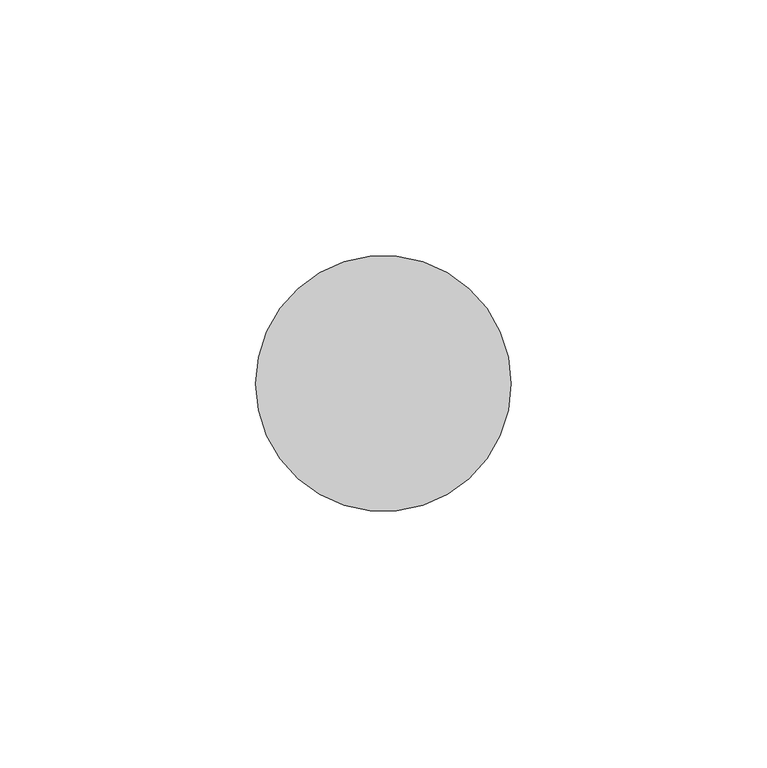
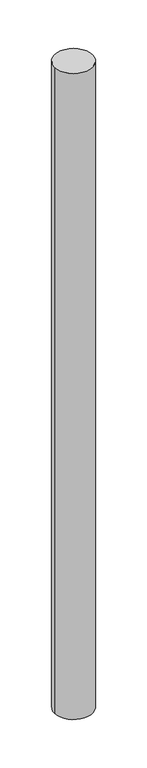
"""IFC4 building model written with IfcOpenShell, lengths in millimetres: member geometry."""

from ifc_helpers import new_model, si_unit, point, frame, origin, origin_2d, place, context, project, spatial, circle_curve, trimmed, segment, composite_curve, outline, extrude, source, transform, mapped, element, save


def member_8ba79aec(model_context):
    return source(origin(), model_context, "Body", "SweptSolid", [
        extrude(outline(composite_curve([segment(trimmed(circle_curve(origin_2d(), 25.0), [point((25.0, 0.0))], [point((-25.0, 0.0))], False, "CARTESIAN"), True, "CONTINUOUS"), segment(trimmed(circle_curve(origin_2d(), 25.0), [point((-25.0, 0.0))], [point((25.0, 0.0))], False, "CARTESIAN"), True, "CONTINUOUS")], self_intersect=False)), frame((0.0, 0.0, -900.0), z_axis=(0.0, 0.0, 1.0), x_axis=(1.0, 0.0, 0.0)), (0.0, 0.0, 1.0), 900.0),
    ])


if __name__ == "__main__":
    model = new_model("IFC4")
    model_context = context("Model", 3, world=origin())
    ifc_project = project(units=[si_unit("LENGTHUNIT", "METRE", prefix="MILLI")], contexts=[model_context])
    site = spatial("IfcSite", under=ifc_project)
    building = spatial("IfcBuilding", under=site)
    placement = place(None, origin())
    member_shape = member_8ba79aec(model_context)
    element("IfcMember", 1, at=placement, inside=building, context=model_context, shape_type="MappedRepresentation", body=[
        mapped(member_shape, transform((0.0, 0.0, 0.0), x_axis=(1.0, 0.0, 0.0), y_axis=(0.0, 1.0, 0.0), z_axis=(0.0, 0.0, 1.0))),
    ])
    save(model, "model.ifc")
